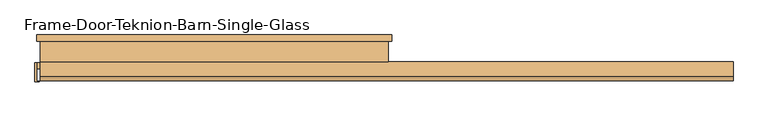
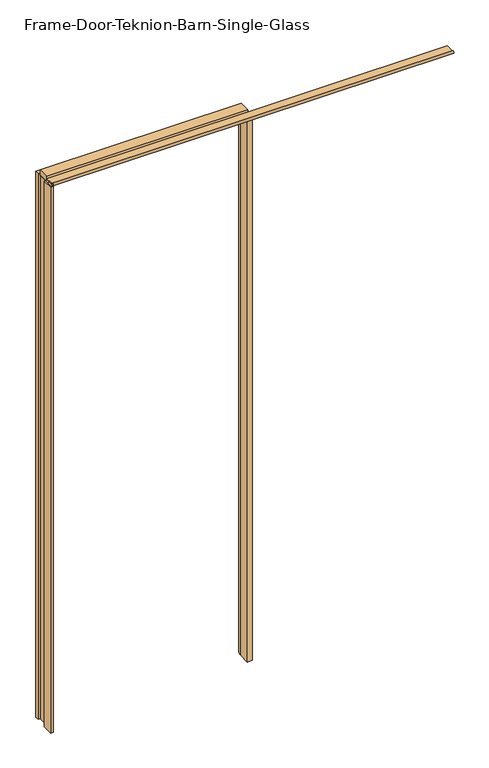
"""IFC4 building model written with IfcOpenShell, lengths in millimetres: door geometry, Frame-Door-Teknion-Barn-Single-Glass."""

from ifc_helpers import new_model, si_unit, point, frame, frame_2d, origin, origin_with_axes, place, context, project, spatial, polyline, circle_curve, ellipse_curve, trimmed, segment, composite_curve, outline, extrude, source, transform, mapped, element, save
from ifc_brep_helpers import plane_surface, cylinder_surface, advanced_brep


def frame_door_teknion_barn_single_glass_ce8aa2a7(model_context):
    return source(origin(), model_context, "Body", "SolidModel", [
        extrude(outline(polyline([(-527.9384741, -32.3583761), (-523.2069058, -32.3583761), (-523.2069058, -86.5235242), (-514.4806484, -86.5235242), (-514.4806484, -88.3672512), (-527.9384741, -88.3672512), (-527.9384741, -32.3583761)])), origin_with_axes(), (0.0, 0.0, 1.0), 2941.1139997),
        advanced_brep(
        [(-515.4800297, 50.0254003, 0.0), (-497.6624339, 10.863653, 0.0), (-497.6624339, -50.0254003, 0.0), (-523.2148343, -50.0254003, 0.0), (-523.2148343, -31.6863997, 0.0), (-511.4800343, -31.6863997, 0.0), (-511.4800343, 30.7214003, 0.0), (-523.2402343, 30.7214003, 0.0), (-523.2402343, 50.0254003, 0.0), (-515.4800297, 50.0254003, 2933.379195), (-497.6624339, 10.863653, 2915.5615993), (-497.6624339, -50.0254003, 2915.5615993), (497.6624339, -50.0254003, 2915.5615993), (497.6624339, -50.0254003, 0.0), (523.2148343, -50.0254003, 0.0), (523.2148343, -50.0254003, 2941.1139997), (-523.2148343, -50.0254003, 2941.1139997), (-523.2148343, -31.6863997, 2941.1139997), (523.2148343, -31.6863997, 2941.1139997), (523.2148343, -31.6863997, 0.0), (511.4800343, -31.6863997, 0.0), (511.4800343, -31.6863997, 2929.3791997), (-511.4800343, -31.6863997, 2929.3791997), (-511.4800343, 30.7214003, 2929.3791997), (511.4800343, 30.7214003, 2929.3791997), (511.4800343, 30.7214003, 0.0), (523.2402343, 30.7214003, 0.0), (523.2402343, 30.7214003, 2941.1393997), (-523.2402343, 30.7214003, 2941.1393997), (-523.2402343, 50.0254003, 2941.1393997), (523.2402343, 50.0254003, 2941.1393997), (523.2402343, 50.0254003, 0.0), (515.4800297, 50.0254003, 0.0), (515.4800297, 50.0254003, 2933.379195), (497.6624339, 10.863653, 2915.5615993), (497.6624339, 10.863653, 0.0)],
        [
            (0, 1, circle_curve(frame((-549.6085326, 10.863653, 0.0), z_axis=(0.0, 0.0, -1.0), x_axis=(-1.0, 0.0, 0.0)), 51.9460987)),
            (1, 2),
            (2, 3),
            (3, 4),
            (4, 5),
            (5, 6),
            (6, 7),
            (7, 8),
            (8, 0),
            (0, 9),
            (9, 10, ellipse_curve(frame((-549.6085326, 10.863653, 2967.5076979), z_axis=(-0.7071067811865475, 0.0, -0.7071067811865475), x_axis=(0.7071067811865474, 0.0, -0.7071067811865476)), 73.4628772, 51.9460987)),
            (10, 1),
            (10, 11),
            (11, 2),
            (11, 12),
            (12, 13),
            (13, 14),
            (14, 15),
            (15, 16),
            (16, 3),
            (16, 17),
            (17, 4),
            (17, 18),
            (18, 19),
            (19, 20),
            (20, 21),
            (21, 22),
            (22, 5),
            (22, 23),
            (23, 6),
            (23, 24),
            (24, 25),
            (25, 26),
            (26, 27),
            (27, 28),
            (28, 7),
            (28, 29),
            (29, 8),
            (29, 30),
            (30, 31),
            (31, 32),
            (32, 33),
            (33, 9),
            (12, 34),
            (34, 35),
            (35, 13),
            (34, 33, ellipse_curve(frame((549.6085326, 10.863653, 2967.5076979), z_axis=(0.7071067811865475, 0.0, -0.7071067811865475), x_axis=(0.7071067811865474, 0.0, 0.7071067811865476)), 73.4628772, 51.9460987)),
            (32, 35, circle_curve(frame((549.6085326, 10.863653, 0.0), z_axis=(0.0, 0.0, 1.0), x_axis=(1.0, 0.0, 0.0)), 51.9460987)),
            (31, 26),
            (25, 20),
            (19, 14),
            (18, 15),
            (24, 21),
            (30, 27),
            (10, 34),
        ],
        [
            plane_surface(frame((-512.4152344, 0.0, 0.0), z_axis=(0.0, 0.0, -1.0), x_axis=(0.0, -1.0, 0.0))),
            cylinder_surface(frame((-549.6085326, 10.863653, 0.0), z_axis=(0.0, 0.0, -1.0), x_axis=(-1.0, 0.0, 0.0)), 51.9460987),
            plane_surface(frame((-497.6624339, 10.863653, 0.0), z_axis=(1.0, 0.0, 0.0), x_axis=(0.0, 0.0, 1.0))),
            plane_surface(frame((-497.6624339, -50.0254003, 0.0), z_axis=(0.0, -1.0, 0.0), x_axis=(0.0, 0.0, 1.0))),
            plane_surface(frame((-523.2148343, -50.0254003, 0.0), z_axis=(-1.0, 0.0, 0.0), x_axis=(0.0, 0.0, 1.0))),
            plane_surface(frame((-523.2148343, -31.6863997, 0.0), z_axis=(0.0, 1.0, 0.0), x_axis=(0.0, 0.0, 1.0))),
            plane_surface(frame((-511.4800343, -31.6863997, 0.0), z_axis=(-1.0, 0.0, 0.0), x_axis=(0.0, 0.0, 1.0))),
            plane_surface(frame((-511.4800343, 30.7214003, 0.0), z_axis=(0.0, -1.0, 0.0), x_axis=(0.0, 0.0, 1.0))),
            plane_surface(frame((-523.2402343, 30.7214003, 0.0), z_axis=(-1.0, 0.0, 0.0), x_axis=(0.0, 0.0, 1.0))),
            plane_surface(frame((-523.2402343, 50.0254003, 0.0), z_axis=(0.0, 1.0, 0.0), x_axis=(0.0, 0.0, 1.0))),
            plane_surface(frame((497.6624339, 10.863653, 2915.5615993), z_axis=(-1.0, 0.0, 0.0), x_axis=(0.0, 0.0, -1.0))),
            cylinder_surface(frame((549.6085326, 10.863653, 2930.3143997), z_axis=(0.0, 0.0, 1.0), x_axis=(1.0, 0.0, 0.0)), 51.9460987),
            plane_surface(frame((512.4152344, 0.0, 0.0), z_axis=(0.0, 0.0, -1.0), x_axis=(0.0, -1.0, 0.0))),
            plane_surface(frame((523.2148343, -50.0254003, 2941.1139997), z_axis=(1.0, 0.0, 0.0), x_axis=(0.0, 0.0, -1.0))),
            plane_surface(frame((511.4800343, -31.6863997, 2929.3791997), z_axis=(1.0, 0.0, 0.0), x_axis=(0.0, 0.0, -1.0))),
            plane_surface(frame((523.2402343, 30.7214003, 2941.1393997), z_axis=(1.0, 0.0, 0.0), x_axis=(0.0, 0.0, -1.0))),
            plane_surface(frame((-497.6624339, 10.863653, 2915.5615993), z_axis=(0.0, 0.0, -1.0), x_axis=(1.0, 0.0, 0.0))),
            plane_surface(frame((-523.2148343, -50.0254003, 2941.1139997), z_axis=(0.0, 0.0, 1.0), x_axis=(1.0, 0.0, 0.0))),
            plane_surface(frame((-511.4800343, -31.6863997, 2929.3791997), z_axis=(0.0, 0.0, 1.0), x_axis=(1.0, 0.0, 0.0))),
            plane_surface(frame((-523.2402343, 30.7214003, 2941.1393997), z_axis=(0.0, 0.0, 1.0), x_axis=(1.0, 0.0, 0.0))),
            cylinder_surface(frame((-512.4152344, 10.863653, 2967.5076979), z_axis=(-1.0, 0.0, 0.0), x_axis=(0.0, 0.0, 1.0)), 51.9460987),
        ],
        [
            (0, [[1, 2, 3, 4, 5, 6, 7, 8, 9]]),
            (1, [[-1, 10, 11, 12]]),
            (2, [[-2, -12, 13, 14]]),
            (3, [[-3, -14, 15, 16, 17, 18, 19, 20]]),
            (4, [[-4, -20, 21, 22]]),
            (5, [[-5, -22, 23, 24, 25, 26, 27, 28]]),
            (6, [[-6, -28, 29, 30]]),
            (7, [[-7, -30, 31, 32, 33, 34, 35, 36]]),
            (8, [[-8, -36, 37, 38]]),
            (9, [[-9, -38, 39, 40, 41, 42, 43, -10]]),
            (10, [[44, 45, 46, -16]]),
            (11, [[47, -42, 48, -45]]),
            (12, [[-41, 49, -33, 50, -25, 51, -17, -46, -48]]),
            (13, [[52, -18, -51, -24]]),
            (14, [[53, -26, -50, -32]]),
            (15, [[54, -34, -49, -40]]),
            (16, [[-13, 55, -44, -15]]),
            (17, [[-21, -19, -52, -23]]),
            (18, [[-29, -27, -53, -31]]),
            (19, [[-37, -35, -54, -39]]),
            (20, [[-11, -43, -47, -55]]),
        ],
    ),
        extrude(outline(composite_curve([segment(polyline([(-72.4186962, 2947.035), (-29.2073222, 2947.035), (-29.2073222, 2941.955), (-72.4186962, 2941.955)]), True, "CONTINUOUS"), segment(trimmed(circle_curve(frame_2d((-78.2385673, 2944.495)), 6.35), [point((-72.4186962, 2941.955))], [point((-72.4186962, 2947.035))], False, "CARTESIAN"), True, "CONTINUOUS")], self_intersect=False)), frame((-512.4152344, 0.0, 0.0), z_axis=(1.0, 0.0, 0.0), x_axis=(0.0, 1.0, 0.0)), (0.0, 0.0, 1.0), 2040.8304687),
        extrude(outline(polyline([(-512.4152344, -29.2199219), (-512.4152344, 29.2199219), (512.4152344, 29.2199219), (512.4152344, -29.2199219), (-512.4152344, -29.2199219)])), frame((0.0, 0.0, 2930.5051563), z_axis=(0.0, 0.0, 1.0), x_axis=(1.0, 0.0, 0.0)), (0.0, 0.0, 1.0), 27.9796875),
    ])


if __name__ == "__main__":
    model = new_model("IFC4")
    model_context = context("Model", 3, world=origin())
    ifc_project = project(units=[si_unit("LENGTHUNIT", "METRE", prefix="MILLI")], contexts=[model_context])
    site = spatial("IfcSite", under=ifc_project)
    building = spatial("IfcBuilding", under=site)
    placement = place(None, origin())
    frame_door_teknion_barn_single_glass_shape = frame_door_teknion_barn_single_glass_ce8aa2a7(model_context)
    element("IfcDoor", 1, ObjectType="Frame-Door-Teknion-Barn-Single-Glass", at=placement, inside=building, context=model_context, shape_type="MappedRepresentation", body=[
        mapped(frame_door_teknion_barn_single_glass_shape, transform((0.0, 0.0, 0.0), x_axis=(1.0, 0.0, 0.0), y_axis=(0.0, 1.0, 0.0), z_axis=(0.0, 0.0, 1.0))),
    ])
    save(model, "model.ifc")
